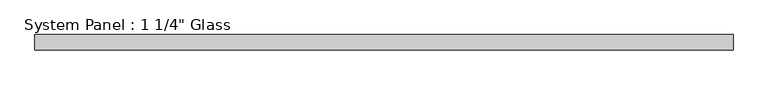
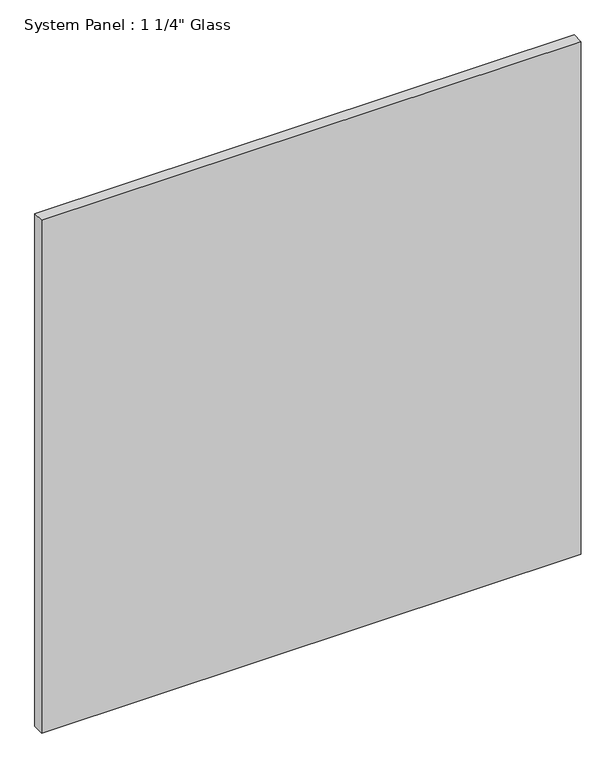
"""IFC4 building model written with IfcOpenShell, lengths in millimetres: plate geometry."""

from ifc_helpers import new_model, si_unit, origin, origin_with_axes, place, context, project, spatial, polyline, outline, extrude, source, transform, mapped, element, save


def plate_7a98942e(model_context):
    return source(origin(), model_context, "Body", "SweptSolid", [
        extrude(outline(polyline([(732.357059, -40.48125), (-732.357059, -40.48125), (-732.357059, -8.73125), (732.357059, -8.73125), (732.357059, -40.48125)])), origin_with_axes(), (0.0, 0.0, 1.0), 1471.1843843),
    ])


if __name__ == "__main__":
    model = new_model("IFC4")
    model_context = context("Model", 3, world=origin())
    ifc_project = project(units=[si_unit("LENGTHUNIT", "METRE", prefix="MILLI")], contexts=[model_context])
    site = spatial("IfcSite", under=ifc_project)
    building = spatial("IfcBuilding", under=site)
    placement = place(None, origin())
    plate_shape = plate_7a98942e(model_context)
    element("IfcPlate", 1, ObjectType="System Panel : 1 1/4\" Glass", at=placement, inside=building, context=model_context, shape_type="MappedRepresentation", body=[
        mapped(plate_shape, transform((0.0, 0.0, 0.0), x_axis=(1.0, 0.0, 0.0), y_axis=(0.0, 1.0, 0.0), z_axis=(0.0, 0.0, 1.0))),
    ])
    save(model, "model.ifc")
